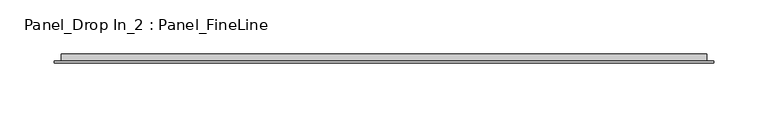
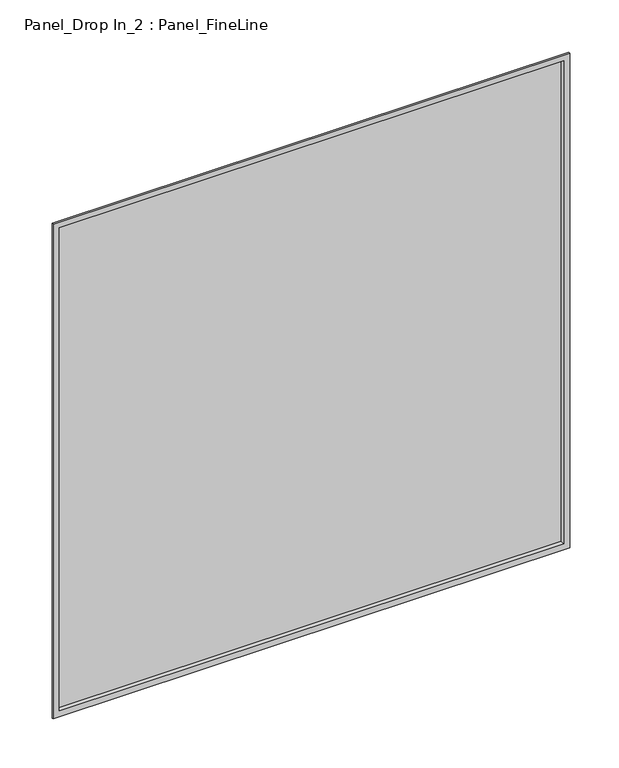
"""IFC4 building model written with IfcOpenShell, lengths in millimetres: plate geometry, Panel_Drop In_2 : Panel_FineLine."""

import ifcopenshell
import ifcopenshell.guid

model = None  # the IFC model being written
_history = None  # IfcOwnerHistory: only IFC2X3 demands one
_inside = {}  # id of a spatial element -> (the spatial element, [elements in it])
_under = {}  # id of a project, library or spatial element -> (it, [spatial elements below it])
_declared = {}  # id of a project -> (the project, [libraries it declares])
_typed = {}  # id of a type object -> (the type object, [elements of that type])
_made_of = {}  # id of a material, layer set ... -> (it, [elements and type objects made of it])


def new_model(schema):
    """Start an empty IFC model of exactly this schema.

    Asked for "IFC4X3", IfcOpenShell would pick the latest addendum, in which some entities
    have other attributes; the version numbers below select the first issue.
    IFC2X3 requires an IfcOwnerHistory on every rooted entity: one is made here for all.
    """
    global model, _history
    if schema == "IFC4X3":
        model = ifcopenshell.file(schema_version=(4, 3, 0, 0))
    else:
        model = ifcopenshell.file(schema=schema)
    _inside.clear()
    _under.clear()
    _declared.clear()
    _typed.clear()
    _made_of.clear()
    _history = None
    if model.schema == "IFC2X3":
        org = make("IfcOrganization", Name="unknown")
        user = make(
            "IfcPersonAndOrganization",
            ThePerson=make("IfcPerson", FamilyName="unknown"),
            TheOrganization=org,
        )
        app = make(
            "IfcApplication",
            ApplicationDeveloper=org,
            Version="unknown",
            ApplicationFullName="unknown",
            ApplicationIdentifier="unknown",
        )
        _history = make(
            "IfcOwnerHistory",
            OwningUser=user,
            OwningApplication=app,
            ChangeAction="ADDED",
            CreationDate=0,
        )
    return model


def make(cls, **values):
    """One entity of the class cls with the attributes given. An attribute that is None is left unset."""
    return model.create_entity(
        cls, **{name: value for name, value in values.items() if value is not None}
    )


def rooted(cls, **values):
    """An entity with a GlobalId (a new one), such as an element, a storey or a relation."""
    return make(cls, GlobalId=ifcopenshell.guid.new(), OwnerHistory=_history, **values)


def si_unit(unit_type, name, prefix=None):
    """IfcSIUnit, for example si_unit("LENGTHUNIT", "METRE", prefix="MILLI")."""
    return make("IfcSIUnit", UnitType=unit_type, Prefix=prefix, Name=name)


def assignment(units):
    """IfcUnitAssignment: the units of a project."""
    return None if units is None else make("IfcUnitAssignment", Units=units)


def point(xyz):
    """IfcCartesianPoint."""
    return None if xyz is None else make("IfcCartesianPoint", Coordinates=xyz)


def direction(xyz):
    """IfcDirection."""
    return None if xyz is None else make("IfcDirection", DirectionRatios=xyz)


def frame(location, z_axis=None, x_axis=None):
    """IfcAxis2Placement3D, a coordinate frame: its origin and axes. An axis left out is left unset."""
    return make(
        "IfcAxis2Placement3D",
        Location=point(location),
        Axis=direction(z_axis),
        RefDirection=direction(x_axis),
    )


def origin():
    """The frame at (0, 0, 0) with its axes left unset."""
    return frame((0.0, 0.0, 0.0))


def place(relative_to, where):
    """IfcLocalPlacement: puts the frame where relative to a parent placement (None: the world)."""
    return make(
        "IfcLocalPlacement", PlacementRelTo=relative_to, RelativePlacement=where
    )


def context(
    kind, dimensions, precision=None, world=None, true_north=None, identifier=None
):
    """IfcGeometricRepresentationContext, for example the 3D "Model" context."""
    return make(
        "IfcGeometricRepresentationContext",
        ContextIdentifier=identifier,
        ContextType=kind,
        CoordinateSpaceDimension=dimensions,
        Precision=precision,
        WorldCoordinateSystem=world,
        TrueNorth=true_north,
    )


def project(units=None, contexts=None):
    """IfcProject with its units and contexts."""
    return rooted(
        "IfcProject",
        Name="project",
        RepresentationContexts=contexts,
        UnitsInContext=assignment(units),
    )


def spatial(cls, under=None, at=None, **own):
    """A site, building, storey or space (cls), placed at a placement, below another one or the project."""
    s = rooted(cls, ObjectPlacement=at, **own)
    if under is not None:
        _under.setdefault(under.id(), (under, []))[1].append(s)
    return s


def polyline(points):
    """IfcPolyline through the points."""
    return make("IfcPolyline", Points=[point(p) for p in points])


def outline(outer, holes=None, kind="AREA"):
    """IfcArbitraryClosedProfileDef: a profile drawn as a closed curve; with holes, ...WithVoids."""
    if holes is None:
        return make("IfcArbitraryClosedProfileDef", ProfileType=kind, OuterCurve=outer)
    return make(
        "IfcArbitraryProfileDefWithVoids",
        ProfileType=kind,
        OuterCurve=outer,
        InnerCurves=holes,
    )


def extrude(swept, where, along, depth):
    """IfcExtrudedAreaSolid: the profile swept, set in the frame where, extruded along a direction by depth."""
    return make(
        "IfcExtrudedAreaSolid",
        SweptArea=swept,
        Position=where,
        ExtrudedDirection=direction(along),
        Depth=depth,
    )


def faces_of(points, faces, orient=None, outer=None):
    """IfcFace entities. A face is a list of loops; a loop is a list of indices into points, from 0.

    orient and outer hold one flag for each loop. By default every Orientation is true, the
    first loop of a face is its IfcFaceOuterBound and the others are IfcFaceBound.
    """
    made = []
    for i, loops in enumerate(faces):
        bounds = []
        for j, loop in enumerate(loops):
            is_outer = j == 0 if outer is None else outer[i][j]
            bounds.append(
                make(
                    "IfcFaceOuterBound" if is_outer else "IfcFaceBound",
                    Bound=make("IfcPolyLoop", Polygon=[points[k] for k in loop]),
                    Orientation=True if orient is None else orient[i][j],
                )
            )
        made.append(make("IfcFace", Bounds=bounds))
    return made


def faceted_brep(points, faces, orient=None, outer=None, voids=None):
    """IfcFacetedBrep: a solid bounded by flat faces; with voids (closed shells), ...WithVoids."""
    shared = [point(p) for p in points]
    hull = make("IfcClosedShell", CfsFaces=faces_of(shared, faces, orient, outer))
    if voids is None:
        return make("IfcFacetedBrep", Outer=hull)
    return make(
        "IfcFacetedBrepWithVoids",
        Outer=hull,
        Voids=[
            make(cls, CfsFaces=faces_of(shared, fs, o, b)) for cls, fs, o, b in voids
        ],
    )


def shape(context_of_items, identifier, shape_type, items):
    """IfcShapeRepresentation: the items that make up one representation, for example the "Body"."""
    return make(
        "IfcShapeRepresentation",
        ContextOfItems=context_of_items,
        RepresentationIdentifier=identifier,
        RepresentationType=shape_type,
        Items=items,
    )


def source(mapping_origin, context_of_items, identifier, shape_type, items):
    """IfcRepresentationMap: a shape defined once, which mapped items show again and again."""
    return make(
        "IfcRepresentationMap",
        MappingOrigin=mapping_origin,
        MappedRepresentation=shape(context_of_items, identifier, shape_type, items),
    )


def transform(
    local_origin,
    x_axis=None,
    y_axis=None,
    z_axis=None,
    scale=None,
    scale2=None,
    scale3=None,
    uniform=True,
):
    """IfcCartesianTransformationOperator3D, or its non-uniform kind. x_axis, y_axis, z_axis: its Axis1, 2, 3."""
    if uniform:
        return make(
            "IfcCartesianTransformationOperator3D",
            Axis1=direction(x_axis),
            Axis2=direction(y_axis),
            LocalOrigin=point(local_origin),
            Scale=scale,
            Axis3=direction(z_axis),
        )
    return make(
        "IfcCartesianTransformationOperator3DnonUniform",
        Axis1=direction(x_axis),
        Axis2=direction(y_axis),
        LocalOrigin=point(local_origin),
        Scale=scale,
        Axis3=direction(z_axis),
        Scale2=scale2,
        Scale3=scale3,
    )


def mapped(mapping_source, mapping_target):
    """IfcMappedItem: shows the shape of a source again, moved by a transform."""
    return make(
        "IfcMappedItem", MappingSource=mapping_source, MappingTarget=mapping_target
    )


def made_of(thing, what):
    """Note that an element or type object is made of a material, layer set ...; save() writes the relation."""
    if what is not None:
        _made_of.setdefault(what.id(), (what, []))[1].append(thing)
    return thing


def element(
    cls,
    number,
    at=None,
    inside=None,
    cuts=None,
    type_object=None,
    material=None,
    context=None,
    identifier="Body",
    shape_type=None,
    held_by="IfcProductDefinitionShape",
    body=None,
    shapes=None,
    **own,
):
    """One element of the class cls, such as IfcWall. Its Tag is "e" and its number.

    at: its placement. inside: the storey or other place that contains it. cuts: it is an
    opening in that element (IfcRelVoidsElement). A single representation is given by context,
    identifier, shape_type and body (its items); several are given by shapes. held_by: the class
    of the entity that holds the representations. save() writes the other relations.
    """
    e = rooted(cls, Tag="e%d" % number, ObjectPlacement=at, **own)
    if body is not None:
        shapes = [shape(context, identifier, shape_type, body)]
    if shapes is not None:
        e.Representation = make(held_by, Representations=shapes)
    if inside is not None:
        _inside.setdefault(inside.id(), (inside, []))[1].append(e)
    if cuts is not None:
        rooted(
            "IfcRelVoidsElement", RelatingBuildingElement=cuts, RelatedOpeningElement=e
        )
    if type_object is not None:
        _typed.setdefault(type_object.id(), (type_object, []))[1].append(e)
    return made_of(e, material)


def aggregate(whole, parts):
    """IfcRelAggregates: a whole, such as a stair, and the parts it consists of."""
    return rooted("IfcRelAggregates", RelatingObject=whole, RelatedObjects=parts)


def save(model, path):
    """Write the relations noted so far, then the file.

    IfcRelAggregates (storeys below a building ...), IfcRelContainedInSpatialStructure (elements
    in a storey), IfcRelDefinesByType, IfcRelAssociatesMaterial and IfcRelDeclares: one each for
    every whole, place, type object, material and project.
    """
    for whole, parts in _under.values():
        aggregate(whole, parts)
    for where, things in _inside.values():
        rooted(
            "IfcRelContainedInSpatialStructure",
            RelatedElements=things,
            RelatingStructure=where,
        )
    for kind, things in _typed.values():
        rooted("IfcRelDefinesByType", RelatedObjects=things, RelatingType=kind)
    for what, things in _made_of.values():
        rooted("IfcRelAssociatesMaterial", RelatedObjects=things, RelatingMaterial=what)
    for by, libraries in _declared.values():
        rooted("IfcRelDeclares", RelatingContext=by, RelatedDefinitions=libraries)
    model.write(path)


def panel_drop_in_2_panel_fineline_f9da5a05(model_context):
    return source(origin(), model_context, "Body", "SolidModel", [
        extrude(outline(polyline([(296.2, 5.5297993), (-296.2, 5.5297993), (-296.2, 7.0), (296.2, 7.0), (296.2, 5.5297993)])), frame((0.0, 0.0, 1.3), z_axis=(0.0, 0.0, 1.0), x_axis=(1.0, 0.0, 0.0)), (0.0, 0.0, 1.0), 599.9),
        faceted_brep([(-303.5, 0.0, 608.5), (-303.5, 1.5, 608.5), (-303.5, 1.5, -6.0), (-303.5, 0.0, -6.0), (-296.2, 7.0, 601.2), (-296.2, 0.0, 601.2), (-296.2, 0.0, 1.3), (-296.2, 7.0, 1.3), (-287.5, 8.0, 592.5), (-287.5, 7.0, 592.5), (-287.5, 7.0, 10.0), (-287.5, 8.0, 10.0), (-297.2, 1.5, 602.2), (-297.2, 8.0, 602.2), (-297.2, 8.0, 0.3), (-297.2, 1.5, 0.3), (303.5, 1.5, -6.0), (303.5, 0.0, -6.0), (296.2, 0.0, 1.3), (296.2, 7.0, 1.3), (287.5, 7.0, 10.0), (287.5, 8.0, 10.0), (297.2, 8.0, 0.3), (297.2, 1.5, 0.3), (303.5, 1.5, 608.5), (303.5, 0.0, 608.5), (296.2, 0.0, 601.2), (296.2, 7.0, 601.2), (287.5, 7.0, 592.5), (287.5, 8.0, 592.5), (297.2, 8.0, 602.2), (297.2, 1.5, 602.2)], [[[0, 1, 2, 3]], [[4, 5, 6, 7]], [[8, 9, 10, 11]], [[12, 13, 14, 15]], [[3, 2, 16, 17]], [[7, 6, 18, 19]], [[11, 10, 20, 21]], [[15, 14, 22, 23]], [[17, 16, 24, 25]], [[19, 18, 26, 27]], [[21, 20, 28, 29]], [[23, 22, 30, 31]], [[25, 24, 1, 0]], [[3, 17, 25, 0], [5, 26, 18, 6]], [[27, 26, 5, 4]], [[7, 19, 27, 4], [9, 28, 20, 10]], [[29, 28, 9, 8]], [[13, 30, 22, 14], [11, 21, 29, 8]], [[31, 30, 13, 12]], [[1, 24, 16, 2], [15, 23, 31, 12]]]),
        extrude(outline(polyline([(287.5, 7.0), (-287.5, 7.0), (-287.5, 8.0), (287.5, 8.0), (287.5, 7.0)])), frame((0.0, 0.0, 10.0), z_axis=(0.0, 0.0, 1.0), x_axis=(1.0, 0.0, 0.0)), (0.0, 0.0, 1.0), 582.5),
    ])


if __name__ == "__main__":
    model = new_model("IFC4")
    model_context = context("Model", 3, world=origin())
    ifc_project = project(units=[si_unit("LENGTHUNIT", "METRE", prefix="MILLI")], contexts=[model_context])
    site = spatial("IfcSite", under=ifc_project)
    building = spatial("IfcBuilding", under=site)
    placement = place(None, origin())
    panel_drop_in_2_panel_fineline_shape = panel_drop_in_2_panel_fineline_f9da5a05(model_context)
    element("IfcPlate", 1, ObjectType="Panel_Drop In_2 : Panel_FineLine", at=placement, inside=building, context=model_context, shape_type="MappedRepresentation", body=[
        mapped(panel_drop_in_2_panel_fineline_shape, transform((0.0, 0.0, 0.0), x_axis=(1.0, 0.0, 0.0), y_axis=(0.0, 1.0, 0.0), z_axis=(0.0, 0.0, 1.0))),
    ])
    save(model, "model.ifc")
